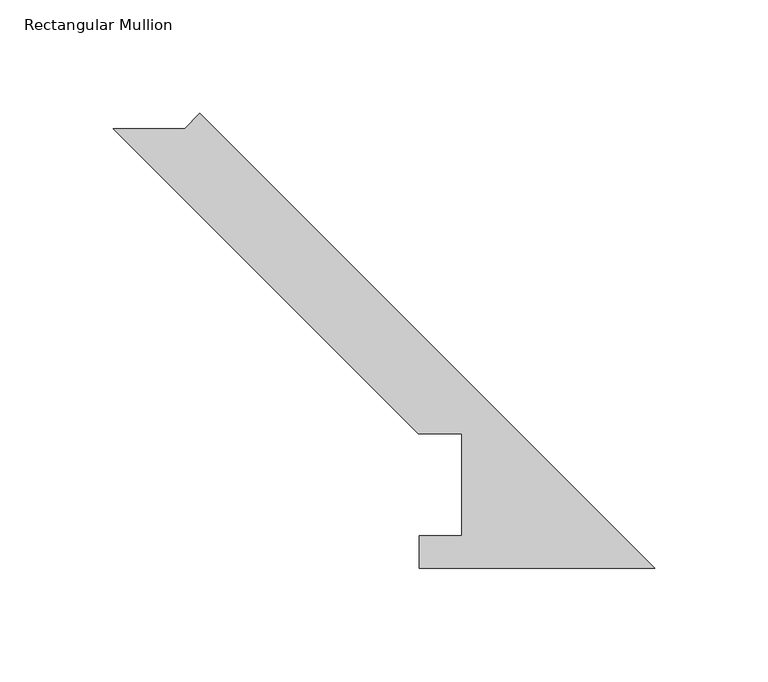
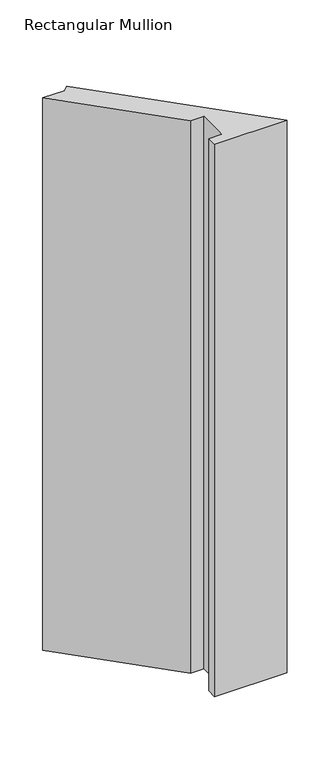
"""IFC4 building model written with IfcOpenShell, lengths in millimetres: member geometry, Rectangular Mullion."""

from ifc_helpers import new_model, si_unit, frame, origin, place, context, project, spatial, polyline, outline, extrude, source, transform, mapped, element, save


def rectangular_mullion_e3fbc1cf(model_context):
    return source(origin(), model_context, "Body", "SweptSolid", [
        extrude(outline(polyline([(-207.3388849, 194.0554867), (-200.6036928, 200.7906788), (0.0, 0.186986), (-103.8932205, 0.186986), (-103.8932205, 14.436386), (-85.1955446, 14.436386), (-85.1955446, 59.53125), (-104.2455446, 59.53125), (-238.7697813, 194.0554867), (-207.3388849, 194.0554867)])), frame((0.0, 0.0, -838.2), z_axis=(0.0, 0.0, 1.0), x_axis=(1.0, 0.0, 0.0)), (0.0, 0.0, 1.0), 838.2),
    ])


if __name__ == "__main__":
    model = new_model("IFC4")
    model_context = context("Model", 3, world=origin())
    ifc_project = project(units=[si_unit("LENGTHUNIT", "METRE", prefix="MILLI")], contexts=[model_context])
    site = spatial("IfcSite", under=ifc_project)
    building = spatial("IfcBuilding", under=site)
    placement = place(None, origin())
    rectangular_mullion_shape = rectangular_mullion_e3fbc1cf(model_context)
    element("IfcMember", 1, ObjectType="Rectangular Mullion", at=placement, inside=building, context=model_context, shape_type="MappedRepresentation", body=[
        mapped(rectangular_mullion_shape, transform((0.0, 0.0, 0.0), x_axis=(1.0, 0.0, 0.0), y_axis=(0.0, 1.0, 0.0), z_axis=(0.0, 0.0, 1.0))),
    ])
    save(model, "model.ifc")
